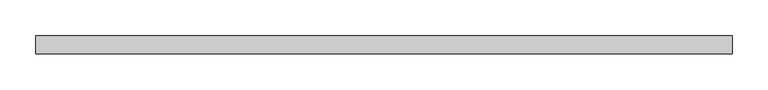
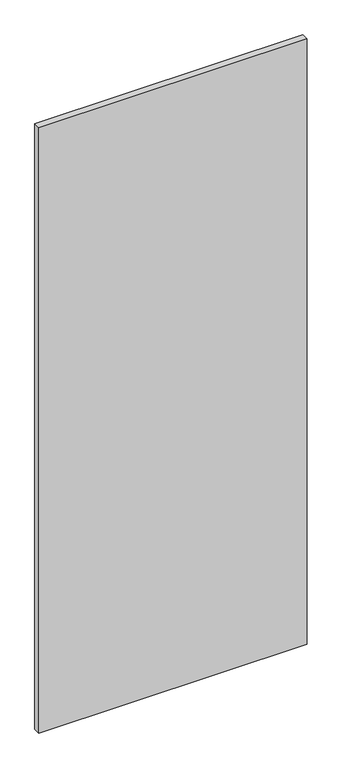
"""IFC4 building model written with IfcOpenShell, lengths in millimetres: plate geometry."""

from ifc_helpers import new_model, si_unit, origin, origin_with_axes, place, context, project, spatial, polyline, outline, extrude, source, transform, mapped, element, save


def plate_cf0c5d62(model_context):
    return source(origin(), model_context, "Body", "SweptSolid", [
        extrude(outline(polyline([(487.5, 24.5), (-487.5, 24.5), (-487.5, 49.5), (487.5, 49.5), (487.5, 24.5)])), origin_with_axes(), (0.0, 0.0, 1.0), 2325.0),
    ])


if __name__ == "__main__":
    model = new_model("IFC4")
    model_context = context("Model", 3, world=origin())
    ifc_project = project(units=[si_unit("LENGTHUNIT", "METRE", prefix="MILLI")], contexts=[model_context])
    site = spatial("IfcSite", under=ifc_project)
    building = spatial("IfcBuilding", under=site)
    placement = place(None, origin())
    plate_shape = plate_cf0c5d62(model_context)
    element("IfcPlate", 1, at=placement, inside=building, context=model_context, shape_type="MappedRepresentation", body=[
        mapped(plate_shape, transform((0.0, 0.0, 0.0), x_axis=(1.0, 0.0, 0.0), y_axis=(0.0, 1.0, 0.0), z_axis=(0.0, 0.0, 1.0))),
    ])
    save(model, "model.ifc")
